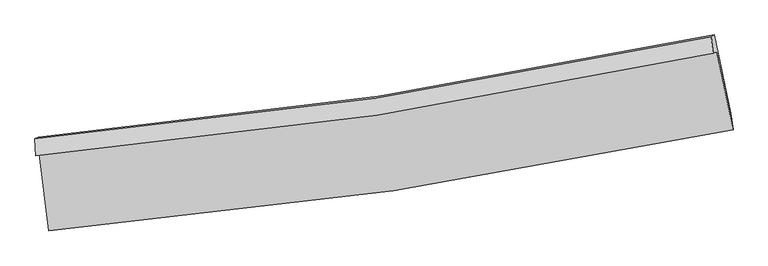
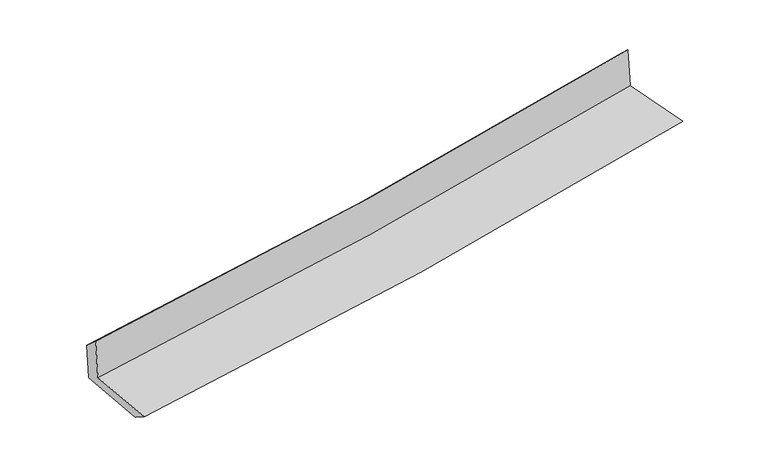
"""IFC4 building model written with IfcOpenShell, lengths in millimetres: proxy geometry."""

from ifc_helpers import new_model, si_unit, frame, origin, place, context, project, spatial, source, transform, mapped, element, save
from ifc_brep_helpers import plane_surface, spline_curve, spline_surface, advanced_brep


def generic_models_5c40ff35(model_context):
    return source(origin(), model_context, "Body", "AdvancedBrep", [
        advanced_brep(
        [(-2908.0248563, -1902.1722163, 1637.1647813), (-2829.3295617, -2554.572203, 1599.1165087), (2981.1874491, -1696.7369248, 2124.490192), (2843.261026, -1033.1415059, 2141.8706688), (-2940.4369779, -1918.8362498, 2041.5926809), (2811.5033702, -1049.4690591, 2538.1323573), (-2946.2814829, -1774.6875581, 1914.0505432), (2794.6033117, -906.7606723, 2397.8543045), (-2917.2268172, -1759.7496924, 1551.5158855), (2823.2139095, -892.0511151, 2040.8605819), (-2838.105835, -2415.6787158, 1513.2617978), (2963.2229031, -1558.4680427, 2006.5221033)],
        [
            (0, 1),
            (1, 2, spline_curve(3, [(-2829.3295617, -2554.572203, 1599.1165087), (-1850.238927883, -2471.044689874, 1695.450869814), (-875.370471883, -2357.559514779, 1787.490806214), (1061.429538018, -2071.337751113, 1962.575706536), (2023.40008599, -1898.877833741, 2045.660331431), (2981.1874491, -1696.7369248, 2124.490192)], [4, 2, 4], [0.0, 9.653313506618595, 19.261947558982268])),
            (2, 3),
            (3, 0, spline_curve(3, [(2843.261026, -1033.1415059, 2141.8706688), (1894.607833803, -1237.005047871, 2072.063227527), (942.128020509, -1411.256909141, 1995.214611501), (-974.931603948, -1701.209837252, 1827.044950035), (-1939.547084684, -1816.634879441, 1735.658269764), (-2908.0248563, -1902.1722163, 1637.1647813)], [4, 2, 4], [0.0, 9.608634052363673, 19.261947558982268])),
            (4, 0),
            (3, 5),
            (5, 4, spline_curve(3, [(2811.5033702, -1049.4690591, 2538.1323573), (1862.880523735, -1253.316999206, 2467.946270088), (910.36163263, -1427.588951875, 2391.58525649), (-1006.915499996, -1717.653707109, 2226.129590551), (-1971.710057916, -1833.170818165, 2136.977378446), (-2940.4369779, -1918.8362498, 2041.5926809)], [4, 2, 4], [0.0, 9.560833310560492, 19.166123805379453])),
            (6, 4),
            (5, 7),
            (7, 6, spline_curve(3, [(2794.6033117, -906.7606723, 2397.8543045), (1847.874228253, -1110.210088206, 2327.640277216), (897.221442107, -1284.162847021, 2252.321669611), (-1016.370248227, -1573.746761419, 2091.101331374), (-1979.345726764, -1689.102964387, 2005.152018578), (-2946.2814829, -1774.6875581, 1914.0505432)], [4, 2, 4], [0.0, 9.550778246197497, 19.145966921330512])),
            (8, 6),
            (7, 9),
            (9, 8, spline_curve(3, [(2823.2139095, -892.0511151, 2040.8605819), (1876.396373149, -1095.546007264, 1971.750242375), (925.736091885, -1269.502619495, 1896.525153767), (-987.708330407, -1559.010818919, 1733.467253462), (-1950.528291437, -1674.287065956, 1645.57744337), (-2917.2268172, -1759.7496924, 1551.5158855)], [4, 2, 4], [0.0, 9.540805604848732, 19.125975266571093])),
            (10, 8),
            (9, 11),
            (11, 10, spline_curve(3, [(2963.2229031, -1558.4680427, 2006.5221033), (2006.541380449, -1760.538472394, 1936.770193656), (1045.887176905, -1932.911259393, 1860.8987873), (-887.852037838, -2218.924976521, 1696.53572792), (-1860.97408021, -2332.289080543, 1607.987032959), (-2838.105835, -2415.6787158, 1513.2617978)], [4, 2, 4], [0.0, 9.588939530985671, 19.22246693812451])),
            (1, 10),
            (11, 2),
        ],
        [
            spline_surface(3, 3, [[(-2908.0248563, -1902.1722163, 1637.1647813), (-1939.547084728, -1816.634879339, 1735.658269869), (-974.931603899, -1701.209837238, 1827.044949925), (942.128020459, -1411.256909155, 1995.214611611), (1894.607833693, -1237.005047803, 2072.063227388), (2843.261026, -1033.1415059, 2141.8706688)], [(-2881.793091418, -2119.638878535, 1624.482023756), (-1909.777699061, -2034.771482882, 1722.255803224), (-941.744559923, -1919.993063047, 1813.860235322), (981.895193027, -1631.283856515, 1984.334976579), (1937.538584444, -1457.629309808, 2063.262262066), (2889.236500358, -1254.33997887, 2136.077176511)], [(-2855.561326582, -2337.105540765, 1611.799266244), (-1880.008313439, -2252.90808642, 1708.853336613), (-908.557515975, -2138.776288851, 1800.675520778), (1021.662365566, -1851.310803871, 1973.455341606), (1980.46933522, -1678.253571805, 2054.461296812), (2935.211974742, -1475.53845183, 2130.283684289)], [(-2829.3295617, -2554.572203, 1599.1165087), (-1850.238927773, -2471.044689962, 1695.450869968), (-875.370471999, -2357.55951466, 1787.490806175), (1061.429538134, -2071.337751231, 1962.575706574), (2023.400085971, -1898.87783381, 2045.66033149), (2981.1874491, -1696.7369248, 2124.490192)]], [4, 4], [4, 2, 4], [0.0, 2.192291591428538], [0.0, 9.653313506618595, 19.261947558982268]),
            spline_surface(3, 3, [[(-2940.4369779, -1918.8362498, 2041.5926809), (-1971.710058065, -1833.170818325, 2136.977378574), (-1006.915499928, -1717.653707226, 2226.129590509), (910.361632563, -1427.588951758, 2391.585256533), (1862.880523757, -1253.316999294, 2467.946270077), (2811.5033702, -1049.4690591, 2538.1323573)], [(-2929.632937367, -1913.281571978, 1906.783381038), (-1960.989066953, -1827.658838675, 2003.204342344), (-996.254201248, -1712.172417226, 2093.101377008), (920.950428532, -1422.144937554, 2259.461708253), (1873.456293736, -1247.879682137, 2335.985255859), (2822.089255467, -1044.026541374, 2406.045127811)], [(-2918.828896833, -1907.726894122, 1771.974081162), (-1950.26807584, -1822.14685899, 1869.431306099), (-985.592902579, -1706.691127237, 1960.073163426), (931.53922449, -1416.70092336, 2127.338159891), (1884.032063714, -1242.44236496, 2204.024241607), (2832.675140733, -1038.584023626, 2273.957898289)], [(-2908.0248563, -1902.1722163, 1637.1647813), (-1939.547084728, -1816.634879339, 1735.658269869), (-974.931603899, -1701.209837238, 1827.044949925), (942.128020459, -1411.256909155, 1995.214611611), (1894.607833693, -1237.005047803, 2072.063227388), (2843.261026, -1033.1415059, 2141.8706688)]], [4, 4], [4, 2, 4], [0.0, 1.3101890540069865], [0.0, 9.605290494818961, 19.166123805379453]),
            spline_surface(3, 3, [[(-2946.2814829, -1774.6875581, 1914.0505432), (-1979.345726701, -1689.102964447, 2005.152018621), (-1016.370248145, -1573.746761391, 2091.101331378), (897.221442025, -1284.162847049, 2252.321669607), (1847.874228313, -1110.210088149, 2327.64027723), (2794.6033117, -906.7606723, 2397.8543045)], [(-2944.333314567, -1822.737121993, 1956.564589117), (-1976.800503822, -1737.125582399, 2049.093805289), (-1013.218665414, -1621.715743334, 2136.110751083), (901.60150553, -1331.971548616, 2298.742865244), (1852.8763268, -1157.912391844, 2374.408941497), (2800.236664539, -954.330134547, 2444.613655418)], [(-2942.385146233, -1870.786685907, 1999.078634983), (-1974.255280943, -1785.148200372, 2093.035591906), (-1010.067082659, -1669.684725283, 2181.120170803), (905.981569058, -1379.78025019, 2345.164060896), (1857.878425271, -1205.614695599, 2421.177605811), (2805.870017361, -1001.899596853, 2491.373006382)], [(-2940.4369779, -1918.8362498, 2041.5926809), (-1971.710058065, -1833.170818325, 2136.977378574), (-1006.915499928, -1717.653707226, 2226.129590509), (910.361632563, -1427.588951758, 2391.585256533), (1862.880523757, -1253.316999294, 2467.946270077), (2811.5033702, -1049.4690591, 2538.1323573)]], [4, 4], [4, 2, 4], [0.0, 0.6526656463511389], [0.0, 9.595188675133015, 19.145966921330512]),
            spline_surface(3, 3, [[(-2917.2268172, -1759.7496924, 1551.5158855), (-1950.528291296, -1674.287065881, 1645.577443317), (-987.70833035, -1559.010818955, 1733.467253472), (925.736091828, -1269.502619458, 1896.525153757), (1876.396373108, -1095.546007264, 1971.750242438), (2823.2139095, -892.0511151, 2040.8605819)], [(-2926.911705753, -1764.728980981, 1672.36077137), (-1960.134103084, -1679.225698751, 1765.435635055), (-997.262302956, -1563.922799763, 1852.678612776), (916.231208553, -1274.389361984, 2015.123992376), (1866.888991531, -1100.434034241, 2090.38025405), (2813.677043588, -896.954300849, 2159.858489448)], [(-2936.596594347, -1769.708269519, 1793.20565733), (-1969.739914913, -1684.164331577, 1885.293826883), (-1006.816275539, -1568.834780583, 1971.889972073), (906.7263253, -1279.276104522, 2133.722830988), (1857.38160989, -1105.322061172, 2209.010265618), (2804.140177612, -901.857486551, 2278.856396952)], [(-2946.2814829, -1774.6875581, 1914.0505432), (-1979.345726701, -1689.102964447, 2005.152018621), (-1016.370248145, -1573.746761391, 2091.101331378), (897.221442025, -1284.162847049, 2252.321669607), (1847.874228313, -1110.210088149, 2327.64027723), (2794.6033117, -906.7606723, 2397.8543045)]], [4, 4], [4, 2, 4], [0.0, 1.175082189867153], [0.0, 9.585169661722361, 19.125975266571093]),
            spline_surface(3, 3, [[(-2838.105835, -2415.6787158, 1513.2617978), (-1860.974080247, -2332.289080515, 1607.987032833), (-887.852037854, -2218.924976425, 1696.53572807), (1045.887176921, -1932.911259487, 1860.898787151), (2006.541380565, -1760.53847254, 1936.770193746), (2963.2229031, -1558.4680427, 2006.5221033)], [(-2864.47949575, -2197.035707976, 1526.01316037), (-1890.825483947, -2112.955075613, 1620.517169664), (-921.137468679, -1998.95359063, 1708.846236515), (1005.83681523, -1711.775046172, 1872.774242664), (1963.159711401, -1538.874317432, 1948.430209961), (2916.553238555, -1336.329066818, 2017.968262818)], [(-2890.85315645, -1978.392700224, 1538.76452293), (-1920.676887596, -1893.621070783, 1633.047306486), (-954.422899524, -1778.982204751, 1721.156745027), (965.786453519, -1490.638832773, 1884.649698244), (1919.778042271, -1317.210162371, 1960.090226223), (2869.883574045, -1114.190090982, 2029.414422382)], [(-2917.2268172, -1759.7496924, 1551.5158855), (-1950.528291296, -1674.287065881, 1645.577443317), (-987.70833035, -1559.010818955, 1733.467253472), (925.736091828, -1269.502619458, 1896.525153757), (1876.396373108, -1095.546007264, 1971.750242438), (2823.2139095, -892.0511151, 2040.8605819)]], [4, 4], [4, 2, 4], [0.0, 2.2037670816707062], [0.0, 9.633527407138837, 19.22246693812451]),
            spline_surface(3, 3, [[(-2829.3295617, -2554.572203, 1599.1165087), (-1850.238927773, -2471.044689962, 1695.450869968), (-875.370471999, -2357.55951466, 1787.490806175), (1061.429538134, -2071.337751231, 1962.575706574), (2023.400085971, -1898.87783381, 2045.66033149), (2981.1874491, -1696.7369248, 2124.490192)], [(-2832.254986144, -2508.274373936, 1570.498271749), (-1853.817311941, -2424.792820149, 1666.296257606), (-879.530993955, -2311.348001895, 1757.172446824), (1056.248751059, -2025.195587297, 1928.683400117), (2017.780517495, -1852.764713396, 2009.363618936), (2975.199267093, -1650.647297443, 2085.167495795)], [(-2835.180410556, -2461.976544864, 1541.880034751), (-1857.395696078, -2378.540950328, 1637.141645195), (-883.691515898, -2265.13648919, 1726.85408742), (1051.067963996, -1979.053423422, 1894.791093607), (2012.160949041, -1806.651592953, 1973.066906299), (2969.211085107, -1604.557670057, 2045.844799505)], [(-2838.105835, -2415.6787158, 1513.2617978), (-1860.974080247, -2332.289080515, 1607.987032833), (-887.852037854, -2218.924976425, 1696.53572807), (1045.887176921, -1932.911259487, 1860.898787151), (2006.541380565, -1760.53847254, 1936.770193746), (2963.2229031, -1558.4680427, 2006.5221033)]], [4, 4], [4, 2, 4], [0.0, 0.5554119969716571], [0.0, 9.69157826520171, 19.338299971309883]),
            plane_surface(frame((2869.4986616, -1189.4378867, 2208.288368), z_axis=(0.9758568192640082, 0.20056424050895452, 0.08647227142268897), x_axis=(-0.07981969936741844, -0.041037675902044726, 0.995964218609009))),
            plane_surface(frame((-2896.5675885, -2054.2827726, 1709.4503662), z_axis=(-0.9898614548281551, -0.11449960501315436, -0.08404844256332258), x_axis=(-0.11955597318350196, 0.9911433163488251, 0.05780394219427064))),
        ],
        [
            (0, [[1, 2, 3, 4]]),
            (1, [[5, -4, 6, 7]]),
            (2, [[8, -7, 9, 10]]),
            (3, [[11, -10, 12, 13]]),
            (4, [[14, -13, 15, 16]]),
            (5, [[17, -16, 18, -2]]),
            (6, [[-12, -9, -6, -3, -18, -15]]),
            (7, [[-1, -5, -8, -11, -14, -17]]),
        ],
    ),
    ])


if __name__ == "__main__":
    model = new_model("IFC4")
    model_context = context("Model", 3, world=origin())
    ifc_project = project(units=[si_unit("LENGTHUNIT", "METRE", prefix="MILLI")], contexts=[model_context])
    site = spatial("IfcSite", under=ifc_project)
    building = spatial("IfcBuilding", under=site)
    placement = place(None, origin())
    generic_models_shape = generic_models_5c40ff35(model_context)
    element("IfcBuildingElementProxy", 1, Name="Generic Models", at=placement, inside=building, context=model_context, shape_type="MappedRepresentation", body=[
        mapped(generic_models_shape, transform((0.0, 0.0, 0.0), x_axis=(1.0, 0.0, 0.0), y_axis=(0.0, 1.0, 0.0), z_axis=(0.0, 0.0, 1.0))),
    ])
    save(model, "model.ifc")
